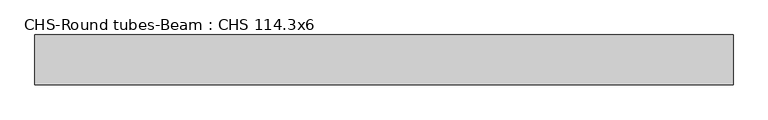
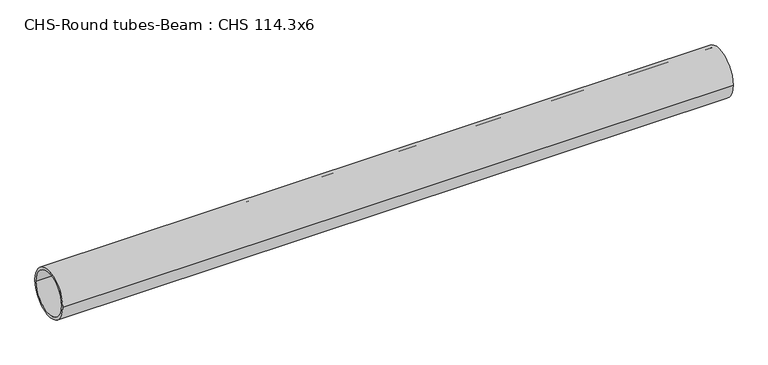
"""IFC4 building model written with IfcOpenShell, lengths in millimetres: beam geometry, CHS-Round tubes-Beam : CHS 114.3x6."""

from ifc_helpers import new_model, si_unit, point, frame, origin, origin_2d, place, context, project, spatial, circle_curve, trimmed, segment, composite_curve, outline, extrude, source, transform, mapped, element, save


def chs_round_tubes_beam_chs_114_3x6_8be49ae6(model_context):
    return source(origin(), model_context, "Body", "SweptSolid", [
        extrude(outline(composite_curve([segment(trimmed(circle_curve(origin_2d(), 57.15), [point((57.15, 0.0))], [point((-57.15, 0.0))], False, "CARTESIAN"), True, "CONTINUOUS"), segment(trimmed(circle_curve(origin_2d(), 57.15), [point((-57.15, 0.0))], [point((57.15, 0.0))], False, "CARTESIAN"), True, "CONTINUOUS")], self_intersect=False), holes=[composite_curve([segment(trimmed(circle_curve(origin_2d(), 51.15), [point((51.15, 0.0))], [point((-51.15, 0.0))], True, "CARTESIAN"), True, "CONTINUOUS"), segment(trimmed(circle_curve(origin_2d(), 51.15), [point((-51.15, 0.0))], [point((51.15, 0.0))], True, "CARTESIAN"), True, "CONTINUOUS")], self_intersect=False)]), frame((-789.7894685, 0.0, 0.0), z_axis=(1.0, 0.0, 0.0), x_axis=(0.0, 1.0, 0.0)), (0.0, 0.0, 1.0), 1593.5096871),
    ])


if __name__ == "__main__":
    model = new_model("IFC4")
    model_context = context("Model", 3, world=origin())
    ifc_project = project(units=[si_unit("LENGTHUNIT", "METRE", prefix="MILLI")], contexts=[model_context])
    site = spatial("IfcSite", under=ifc_project)
    building = spatial("IfcBuilding", under=site)
    placement = place(None, origin())
    chs_round_tubes_beam_chs_114_3x6_shape = chs_round_tubes_beam_chs_114_3x6_8be49ae6(model_context)
    element("IfcBeam", 1, ObjectType="CHS-Round tubes-Beam : CHS 114.3x6", at=placement, inside=building, context=model_context, shape_type="MappedRepresentation", body=[
        mapped(chs_round_tubes_beam_chs_114_3x6_shape, transform((0.0, 0.0, 0.0), x_axis=(1.0, 0.0, 0.0), y_axis=(0.0, 1.0, 0.0), z_axis=(0.0, 0.0, 1.0))),
    ])
    save(model, "model.ifc")
